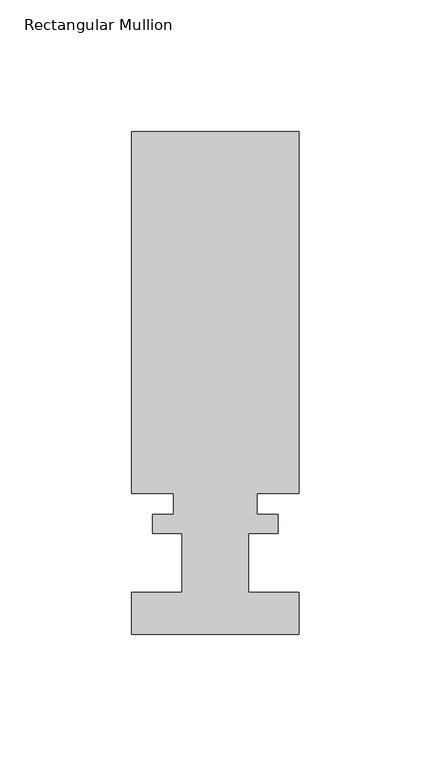
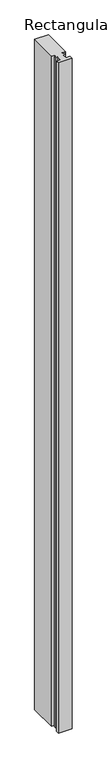
"""IFC4 building model written with IfcOpenShell, lengths in millimetres: member geometry, Rectangular Mullion."""

from ifc_helpers import new_model, si_unit, frame, origin, place, context, project, spatial, polyline, outline, extrude, source, transform, mapped, element, save


def rectangular_mullion_7070b699(model_context):
    return source(origin(), model_context, "Body", "SweptSolid", [
        extrude(outline(polyline([(31.75, 191.8890625), (31.75, 54.5512625), (15.875, 54.5512625), (15.875, 46.6518625), (23.8252, 46.6518625), (23.8252, 39.4890625), (12.7, 39.4890625), (12.7, 17.0100625), (31.75, 17.0100625), (31.75, 1.1350625), (-31.75, 1.1350625), (-31.75, 17.0100625), (-12.7, 17.0100625), (-12.7, 39.4890625), (-23.8252, 39.4890625), (-23.8252, 46.6518625), (-15.875, 46.6518625), (-15.875, 54.5512625), (-31.75, 54.5512625), (-31.75, 191.8890625), (31.75, 191.8890625)])), frame((0.0, 0.0, -3292.914731), z_axis=(0.0, 0.0, 1.0), x_axis=(1.0, 0.0, 0.0)), (0.0, 0.0, 1.0), 3292.914731),
    ])


if __name__ == "__main__":
    model = new_model("IFC4")
    model_context = context("Model", 3, world=origin())
    ifc_project = project(units=[si_unit("LENGTHUNIT", "METRE", prefix="MILLI")], contexts=[model_context])
    site = spatial("IfcSite", under=ifc_project)
    building = spatial("IfcBuilding", under=site)
    placement = place(None, origin())
    rectangular_mullion_shape = rectangular_mullion_7070b699(model_context)
    element("IfcMember", 1, ObjectType="Rectangular Mullion", at=placement, inside=building, context=model_context, shape_type="MappedRepresentation", body=[
        mapped(rectangular_mullion_shape, transform((0.0, 0.0, 0.0), x_axis=(1.0, 0.0, 0.0), y_axis=(0.0, 1.0, 0.0), z_axis=(0.0, 0.0, 1.0))),
    ])
    save(model, "model.ifc")
